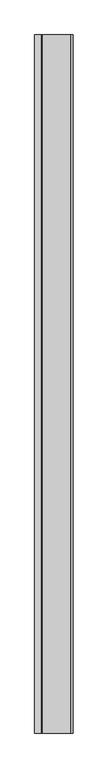
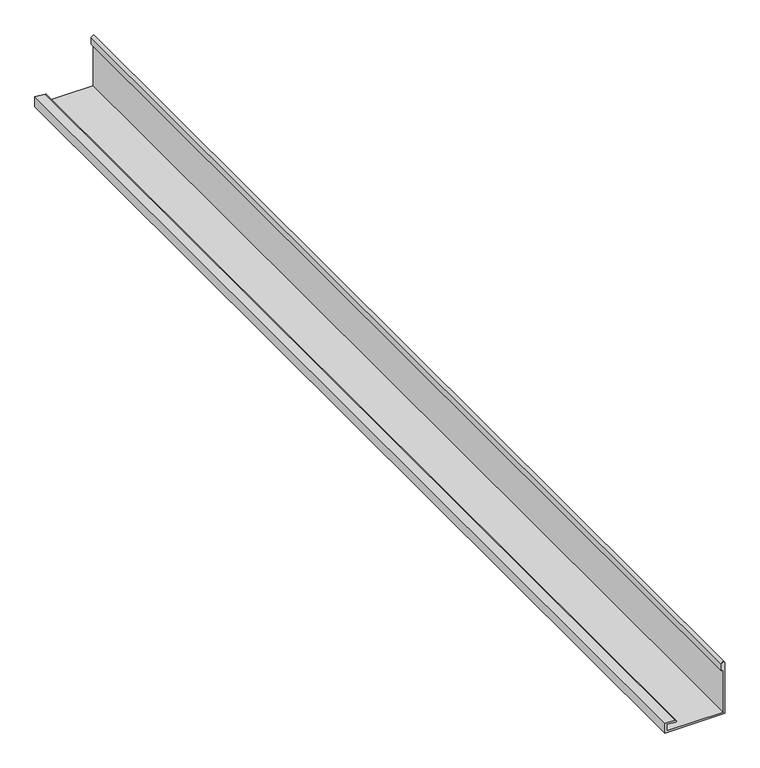
"""IFC4 building model written with IfcOpenShell, lengths in millimetres: proxy geometry."""

from ifc_helpers import new_model, si_unit, point, frame, frame_2d, origin, place, context, project, spatial, polyline, circle_curve, trimmed, segment, composite_curve, outline, extrude, source, transform, mapped, element, save


def generic_models_059900cb(model_context):
    return source(origin(), model_context, "Body", "SweptSolid", [
        extrude(outline(composite_curve([segment(polyline([(3799.2452806, -11748.9072818), (3799.2452806, -11578.9072818), (3949.6655464, -11578.9072818)]), True, "CONTINUOUS"), segment(trimmed(circle_curve(frame_2d((3949.6655464, -11583.9072818)), 5.0), [point((3949.6655464, -11578.9072818))], [point((3949.6655464, -11588.9072818))], False, "CARTESIAN"), True, "CONTINUOUS"), segment(polyline([(3949.6655464, -11588.9072818), (3929.6655464, -11588.9072818), (3929.6655464, -11583.9072818), (3804.2452806, -11583.9072818), (3804.2452806, -11743.9072818), (3823.7887381, -11743.9072818), (3821.6496348, -11719.4572196)]), True, "CONTINUOUS"), segment(trimmed(circle_curve(frame_2d((3824.1401216, -11719.2393303)), 2.5), [point((3821.6496348, -11719.4572196))], [point((3826.6306083, -11719.0214409))], False, "CARTESIAN"), True, "CONTINUOUS"), segment(polyline([(3826.6306083, -11719.0214409), (3829.2452806, -11748.9072818), (3799.2452806, -11748.9072818)]), True, "CONTINUOUS")], self_intersect=False)), frame((0.0, -1336.8874768, 0.0), z_axis=(0.0, 1.0, 0.0), x_axis=(0.0, 0.0, 1.0)), (0.0, 0.0, 1.0), 3090.0),
    ])


if __name__ == "__main__":
    model = new_model("IFC4")
    model_context = context("Model", 3, world=origin())
    ifc_project = project(units=[si_unit("LENGTHUNIT", "METRE", prefix="MILLI")], contexts=[model_context])
    site = spatial("IfcSite", under=ifc_project)
    building = spatial("IfcBuilding", under=site)
    placement = place(None, origin())
    generic_models_shape = generic_models_059900cb(model_context)
    element("IfcBuildingElementProxy", 1, Name="Generic Models", at=placement, inside=building, context=model_context, shape_type="MappedRepresentation", body=[
        mapped(generic_models_shape, transform((0.0, 0.0, 0.0), x_axis=(1.0, 0.0, 0.0), y_axis=(0.0, 1.0, 0.0), z_axis=(0.0, 0.0, 1.0))),
    ])
    save(model, "model.ifc")
